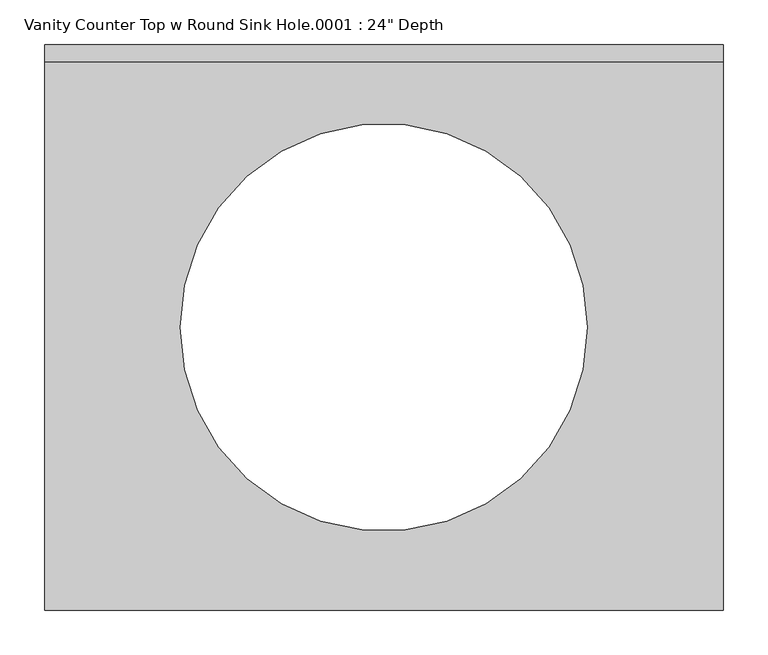
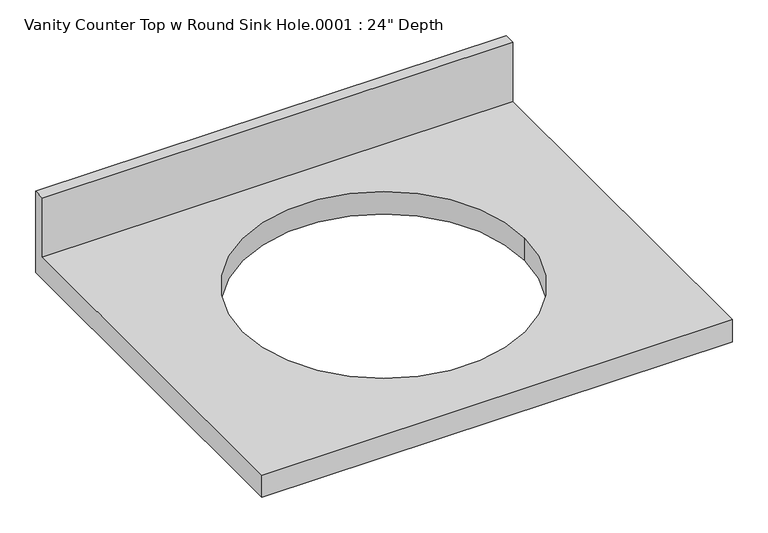
"""IFC4 building model written with IfcOpenShell, lengths in millimetres: furniture geometry."""

from ifc_helpers import new_model, si_unit, frame, origin, place, context, project, spatial, polyline, circle_curve, source, transform, mapped, element, save
from ifc_brep_helpers import plane_surface, revolved_surface, advanced_brep


def furniture_bac4b238(model_context):
    return source(origin(), model_context, "Body", "AdvancedBrep", [
        advanced_brep(
        [(-1327.4622951, -635.0, 787.4), (-565.4622951, -635.0, 787.4), (-565.4622951, -19.05, 787.4), (-1327.4622951, -19.05, 787.4), (-718.1282042, -317.5, 787.4), (-1175.3282042, -317.5, 787.4), (-565.4622951, 0.0, 749.3), (-565.4622951, -635.0, 749.3), (-1327.4622951, -635.0, 749.3), (-1327.4622951, 0.0, 749.3), (-1175.3282042, -317.5, 749.3), (-718.1282042, -317.5, 749.3), (-1327.4622951, 0.0, 889.0), (-565.4622951, 0.0, 889.0), (-1327.4622951, -19.05, 889.0), (-565.4622951, -19.05, 889.0)],
        [
            (0, 1),
            (1, 2),
            (2, 3),
            (3, 0),
            (4, 5, circle_curve(frame((-946.7282042, -317.5, 787.4), z_axis=(0.0, 0.0, -1.0), x_axis=(1.0, 0.0, 0.0)), 228.6)),
            (5, 4, circle_curve(frame((-946.7282042, -317.5, 787.4), z_axis=(0.0, 0.0, -1.0), x_axis=(1.0, 0.0, 0.0)), 228.6)),
            (6, 7),
            (7, 8),
            (8, 9),
            (9, 6),
            (10, 11, circle_curve(frame((-946.7282042, -317.5, 749.3), z_axis=(0.0, 0.0, 1.0), x_axis=(1.0, 0.0, 0.0)), 228.6)),
            (11, 10, circle_curve(frame((-946.7282042, -317.5, 749.3), z_axis=(0.0, 0.0, 1.0), x_axis=(1.0, 0.0, 0.0)), 228.6)),
            (9, 12),
            (12, 13),
            (13, 6),
            (8, 0),
            (3, 14),
            (14, 12),
            (7, 1),
            (13, 15),
            (15, 2),
            (14, 15),
            (4, 11),
            (10, 5),
        ],
        [
            plane_surface(frame((-1327.4622951, 0.0, 787.4), z_axis=(0.0, 0.0, 1.0), x_axis=(-1.0, 0.0, 0.0))),
            plane_surface(frame((-1327.4622951, 0.0, 749.3), z_axis=(0.0, 0.0, -1.0), x_axis=(1.0, 0.0, 0.0))),
            plane_surface(frame((-565.4622951, 0.0, 787.4), z_axis=(0.0, 1.0, 0.0), x_axis=(0.0, 0.0, -1.0))),
            plane_surface(frame((-1327.4622951, 0.0, 787.4), z_axis=(-1.0, 0.0, 0.0), x_axis=(0.0, 0.0, -1.0))),
            plane_surface(frame((-1327.4622951, -635.0, 787.4), z_axis=(0.0, -1.0, 0.0), x_axis=(0.0, 0.0, -1.0))),
            plane_surface(frame((-565.4622951, -635.0, 787.4), z_axis=(1.0, 0.0, 0.0), x_axis=(0.0, 0.0, -1.0))),
            plane_surface(frame((-1327.4622951, 0.0, 889.0), z_axis=(0.0, 0.0, 1.0), x_axis=(0.0, -1.0, 0.0))),
            plane_surface(frame((-1327.4622951, -19.05, 889.0), z_axis=(0.0, -1.0, 0.0), x_axis=(0.0, 0.0, -1.0))),
            revolved_surface(polyline([(-718.1282042, -317.5, 787.4), (-718.1282042, -317.5, 749.3)]), (-946.7282042, -317.5, 749.3), (0.0, 0.0, 1.0)),
        ],
        [
            (0, [[1, 2, 3, 4], [5, 6]]),
            (1, [[7, 8, 9, 10], [11, 12]]),
            (2, [[-10, 13, 14, 15]]),
            (3, [[-9, 16, -4, 17, 18, -13]]),
            (4, [[-1, -16, -8, 19]]),
            (5, [[-7, -15, 20, 21, -2, -19]]),
            (6, [[-18, 22, -20, -14]]),
            (7, [[-22, -17, -3, -21]]),
            (8, [[23, -11, 24, -5]]),
            (8, [[-23, -6, -24, -12]]),
        ],
    ),
    ])


if __name__ == "__main__":
    model = new_model("IFC4")
    model_context = context("Model", 3, world=origin())
    ifc_project = project(units=[si_unit("LENGTHUNIT", "METRE", prefix="MILLI")], contexts=[model_context])
    site = spatial("IfcSite", under=ifc_project)
    building = spatial("IfcBuilding", under=site)
    placement = place(None, origin())
    furniture_shape = furniture_bac4b238(model_context)
    element("IfcFurniture", 1, ObjectType="Vanity Counter Top w Round Sink Hole.0001 : 24\" Depth", at=placement, inside=building, context=model_context, shape_type="MappedRepresentation", body=[
        mapped(furniture_shape, transform((0.0, 0.0, 0.0), x_axis=(1.0, 0.0, 0.0), y_axis=(0.0, 1.0, 0.0), z_axis=(0.0, 0.0, 1.0))),
    ])
    save(model, "model.ifc")
